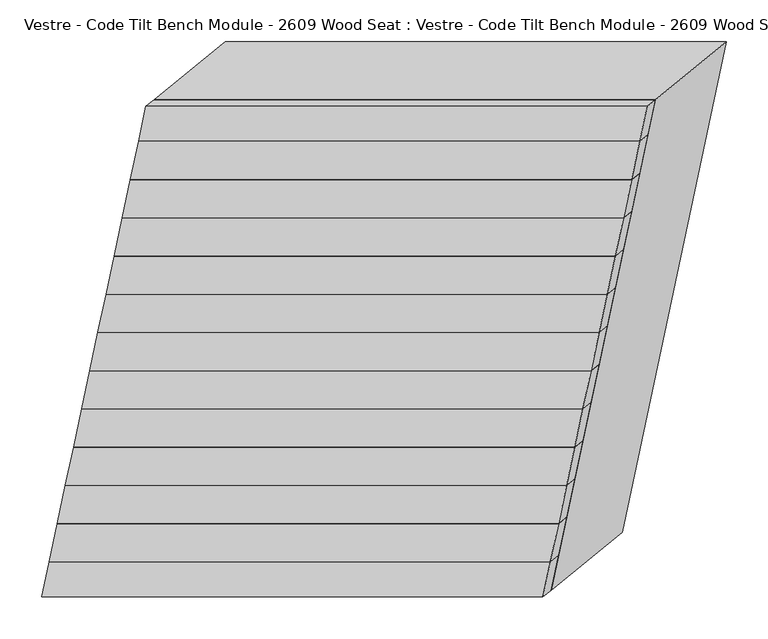
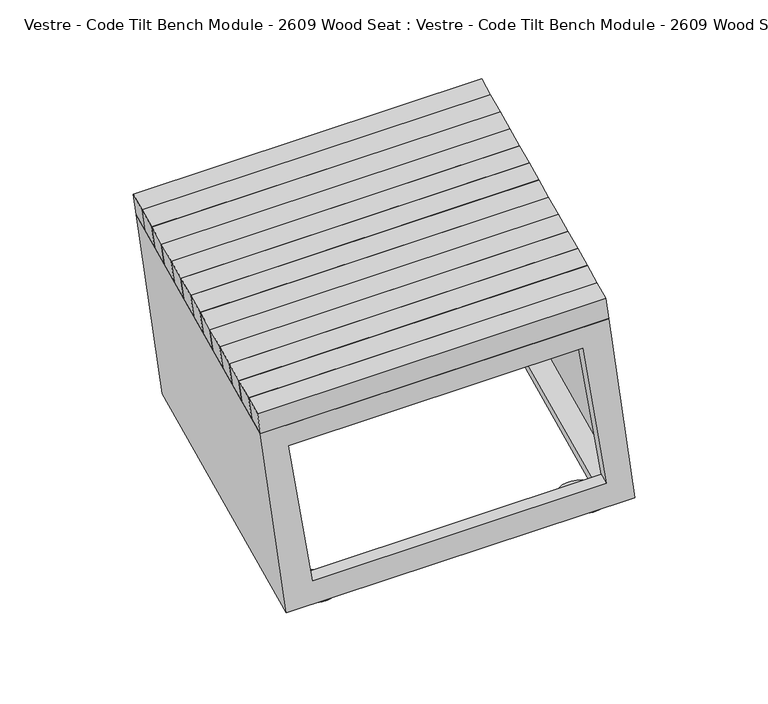
"""IFC4 building model written with IfcOpenShell, lengths in millimetres: furniture geometry, Vestre - Code Tilt Bench Module - 2609 Wood Seat : Vestre - Code Tilt Bench Module - 2609 Wood Seat."""

import ifcopenshell
import ifcopenshell.guid

model = None  # the IFC model being written
_history = None  # IfcOwnerHistory: only IFC2X3 demands one
_inside = {}  # id of a spatial element -> (the spatial element, [elements in it])
_under = {}  # id of a project, library or spatial element -> (it, [spatial elements below it])
_declared = {}  # id of a project -> (the project, [libraries it declares])
_typed = {}  # id of a type object -> (the type object, [elements of that type])
_made_of = {}  # id of a material, layer set ... -> (it, [elements and type objects made of it])


def new_model(schema):
    """Start an empty IFC model of exactly this schema.

    Asked for "IFC4X3", IfcOpenShell would pick the latest addendum, in which some entities
    have other attributes; the version numbers below select the first issue.
    IFC2X3 requires an IfcOwnerHistory on every rooted entity: one is made here for all.
    """
    global model, _history
    if schema == "IFC4X3":
        model = ifcopenshell.file(schema_version=(4, 3, 0, 0))
    else:
        model = ifcopenshell.file(schema=schema)
    _inside.clear()
    _under.clear()
    _declared.clear()
    _typed.clear()
    _made_of.clear()
    _history = None
    if model.schema == "IFC2X3":
        org = make("IfcOrganization", Name="unknown")
        user = make(
            "IfcPersonAndOrganization",
            ThePerson=make("IfcPerson", FamilyName="unknown"),
            TheOrganization=org,
        )
        app = make(
            "IfcApplication",
            ApplicationDeveloper=org,
            Version="unknown",
            ApplicationFullName="unknown",
            ApplicationIdentifier="unknown",
        )
        _history = make(
            "IfcOwnerHistory",
            OwningUser=user,
            OwningApplication=app,
            ChangeAction="ADDED",
            CreationDate=0,
        )
    return model


def make(cls, **values):
    """One entity of the class cls with the attributes given. An attribute that is None is left unset."""
    return model.create_entity(
        cls, **{name: value for name, value in values.items() if value is not None}
    )


def rooted(cls, **values):
    """An entity with a GlobalId (a new one), such as an element, a storey or a relation."""
    return make(cls, GlobalId=ifcopenshell.guid.new(), OwnerHistory=_history, **values)


def si_unit(unit_type, name, prefix=None):
    """IfcSIUnit, for example si_unit("LENGTHUNIT", "METRE", prefix="MILLI")."""
    return make("IfcSIUnit", UnitType=unit_type, Prefix=prefix, Name=name)


def assignment(units):
    """IfcUnitAssignment: the units of a project."""
    return None if units is None else make("IfcUnitAssignment", Units=units)


def point(xyz):
    """IfcCartesianPoint."""
    return None if xyz is None else make("IfcCartesianPoint", Coordinates=xyz)


def direction(xyz):
    """IfcDirection."""
    return None if xyz is None else make("IfcDirection", DirectionRatios=xyz)


def frame(location, z_axis=None, x_axis=None):
    """IfcAxis2Placement3D, a coordinate frame: its origin and axes. An axis left out is left unset."""
    return make(
        "IfcAxis2Placement3D",
        Location=point(location),
        Axis=direction(z_axis),
        RefDirection=direction(x_axis),
    )


def frame_2d(location, x_axis=None):
    """IfcAxis2Placement2D, a coordinate frame in the plane: its origin and x axis."""
    return make(
        "IfcAxis2Placement2D", Location=point(location), RefDirection=direction(x_axis)
    )


def origin():
    """The frame at (0, 0, 0) with its axes left unset."""
    return frame((0.0, 0.0, 0.0))


def origin_with_axes():
    """The frame at (0, 0, 0) with the z axis (0, 0, 1) and the x axis (1, 0, 0) written out."""
    return frame((0.0, 0.0, 0.0), z_axis=(0.0, 0.0, 1.0), x_axis=(1.0, 0.0, 0.0))


def place(relative_to, where):
    """IfcLocalPlacement: puts the frame where relative to a parent placement (None: the world)."""
    return make(
        "IfcLocalPlacement", PlacementRelTo=relative_to, RelativePlacement=where
    )


def context(
    kind, dimensions, precision=None, world=None, true_north=None, identifier=None
):
    """IfcGeometricRepresentationContext, for example the 3D "Model" context."""
    return make(
        "IfcGeometricRepresentationContext",
        ContextIdentifier=identifier,
        ContextType=kind,
        CoordinateSpaceDimension=dimensions,
        Precision=precision,
        WorldCoordinateSystem=world,
        TrueNorth=true_north,
    )


def project(units=None, contexts=None):
    """IfcProject with its units and contexts."""
    return rooted(
        "IfcProject",
        Name="project",
        RepresentationContexts=contexts,
        UnitsInContext=assignment(units),
    )


def spatial(cls, under=None, at=None, **own):
    """A site, building, storey or space (cls), placed at a placement, below another one or the project."""
    s = rooted(cls, ObjectPlacement=at, **own)
    if under is not None:
        _under.setdefault(under.id(), (under, []))[1].append(s)
    return s


def circle_curve(where, radius):
    """IfcCircle in the frame where."""
    return make("IfcCircle", Position=where, Radius=radius)


def trimmed(basis, trim1, trim2, sense, master):
    """IfcTrimmedCurve: the piece of a basis curve between two trims."""
    return make(
        "IfcTrimmedCurve",
        BasisCurve=basis,
        Trim1=trim1,
        Trim2=trim2,
        SenseAgreement=sense,
        MasterRepresentation=master,
    )


def segment(curve, same_sense, transition):
    """IfcCompositeCurveSegment."""
    return make(
        "IfcCompositeCurveSegment",
        Transition=transition,
        SameSense=same_sense,
        ParentCurve=curve,
    )


def composite_curve(segments, self_intersect=None):
    """IfcCompositeCurve: segments joined end to end."""
    return make("IfcCompositeCurve", Segments=segments, SelfIntersect=self_intersect)


def outline(outer, holes=None, kind="AREA"):
    """IfcArbitraryClosedProfileDef: a profile drawn as a closed curve; with holes, ...WithVoids."""
    if holes is None:
        return make("IfcArbitraryClosedProfileDef", ProfileType=kind, OuterCurve=outer)
    return make(
        "IfcArbitraryProfileDefWithVoids",
        ProfileType=kind,
        OuterCurve=outer,
        InnerCurves=holes,
    )


def extrude(swept, where, along, depth):
    """IfcExtrudedAreaSolid: the profile swept, set in the frame where, extruded along a direction by depth."""
    return make(
        "IfcExtrudedAreaSolid",
        SweptArea=swept,
        Position=where,
        ExtrudedDirection=direction(along),
        Depth=depth,
    )


def faces_of(points, faces, orient=None, outer=None):
    """IfcFace entities. A face is a list of loops; a loop is a list of indices into points, from 0.

    orient and outer hold one flag for each loop. By default every Orientation is true, the
    first loop of a face is its IfcFaceOuterBound and the others are IfcFaceBound.
    """
    made = []
    for i, loops in enumerate(faces):
        bounds = []
        for j, loop in enumerate(loops):
            is_outer = j == 0 if outer is None else outer[i][j]
            bounds.append(
                make(
                    "IfcFaceOuterBound" if is_outer else "IfcFaceBound",
                    Bound=make("IfcPolyLoop", Polygon=[points[k] for k in loop]),
                    Orientation=True if orient is None else orient[i][j],
                )
            )
        made.append(make("IfcFace", Bounds=bounds))
    return made


def faceted_brep(points, faces, orient=None, outer=None, voids=None):
    """IfcFacetedBrep: a solid bounded by flat faces; with voids (closed shells), ...WithVoids."""
    shared = [point(p) for p in points]
    hull = make("IfcClosedShell", CfsFaces=faces_of(shared, faces, orient, outer))
    if voids is None:
        return make("IfcFacetedBrep", Outer=hull)
    return make(
        "IfcFacetedBrepWithVoids",
        Outer=hull,
        Voids=[
            make(cls, CfsFaces=faces_of(shared, fs, o, b)) for cls, fs, o, b in voids
        ],
    )


def shape(context_of_items, identifier, shape_type, items):
    """IfcShapeRepresentation: the items that make up one representation, for example the "Body"."""
    return make(
        "IfcShapeRepresentation",
        ContextOfItems=context_of_items,
        RepresentationIdentifier=identifier,
        RepresentationType=shape_type,
        Items=items,
    )


def source(mapping_origin, context_of_items, identifier, shape_type, items):
    """IfcRepresentationMap: a shape defined once, which mapped items show again and again."""
    return make(
        "IfcRepresentationMap",
        MappingOrigin=mapping_origin,
        MappedRepresentation=shape(context_of_items, identifier, shape_type, items),
    )


def transform(
    local_origin,
    x_axis=None,
    y_axis=None,
    z_axis=None,
    scale=None,
    scale2=None,
    scale3=None,
    uniform=True,
):
    """IfcCartesianTransformationOperator3D, or its non-uniform kind. x_axis, y_axis, z_axis: its Axis1, 2, 3."""
    if uniform:
        return make(
            "IfcCartesianTransformationOperator3D",
            Axis1=direction(x_axis),
            Axis2=direction(y_axis),
            LocalOrigin=point(local_origin),
            Scale=scale,
            Axis3=direction(z_axis),
        )
    return make(
        "IfcCartesianTransformationOperator3DnonUniform",
        Axis1=direction(x_axis),
        Axis2=direction(y_axis),
        LocalOrigin=point(local_origin),
        Scale=scale,
        Axis3=direction(z_axis),
        Scale2=scale2,
        Scale3=scale3,
    )


def mapped(mapping_source, mapping_target):
    """IfcMappedItem: shows the shape of a source again, moved by a transform."""
    return make(
        "IfcMappedItem", MappingSource=mapping_source, MappingTarget=mapping_target
    )


def made_of(thing, what):
    """Note that an element or type object is made of a material, layer set ...; save() writes the relation."""
    if what is not None:
        _made_of.setdefault(what.id(), (what, []))[1].append(thing)
    return thing


def element(
    cls,
    number,
    at=None,
    inside=None,
    cuts=None,
    type_object=None,
    material=None,
    context=None,
    identifier="Body",
    shape_type=None,
    held_by="IfcProductDefinitionShape",
    body=None,
    shapes=None,
    **own,
):
    """One element of the class cls, such as IfcWall. Its Tag is "e" and its number.

    at: its placement. inside: the storey or other place that contains it. cuts: it is an
    opening in that element (IfcRelVoidsElement). A single representation is given by context,
    identifier, shape_type and body (its items); several are given by shapes. held_by: the class
    of the entity that holds the representations. save() writes the other relations.
    """
    e = rooted(cls, Tag="e%d" % number, ObjectPlacement=at, **own)
    if body is not None:
        shapes = [shape(context, identifier, shape_type, body)]
    if shapes is not None:
        e.Representation = make(held_by, Representations=shapes)
    if inside is not None:
        _inside.setdefault(inside.id(), (inside, []))[1].append(e)
    if cuts is not None:
        rooted(
            "IfcRelVoidsElement", RelatingBuildingElement=cuts, RelatedOpeningElement=e
        )
    if type_object is not None:
        _typed.setdefault(type_object.id(), (type_object, []))[1].append(e)
    return made_of(e, material)


def aggregate(whole, parts):
    """IfcRelAggregates: a whole, such as a stair, and the parts it consists of."""
    return rooted("IfcRelAggregates", RelatingObject=whole, RelatedObjects=parts)


def save(model, path):
    """Write the relations noted so far, then the file.

    IfcRelAggregates (storeys below a building ...), IfcRelContainedInSpatialStructure (elements
    in a storey), IfcRelDefinesByType, IfcRelAssociatesMaterial and IfcRelDeclares: one each for
    every whole, place, type object, material and project.
    """
    for whole, parts in _under.values():
        aggregate(whole, parts)
    for where, things in _inside.values():
        rooted(
            "IfcRelContainedInSpatialStructure",
            RelatedElements=things,
            RelatingStructure=where,
        )
    for kind, things in _typed.values():
        rooted("IfcRelDefinesByType", RelatedObjects=things, RelatingType=kind)
    for what, things in _made_of.values():
        rooted("IfcRelAssociatesMaterial", RelatedObjects=things, RelatingMaterial=what)
    for by, libraries in _declared.values():
        rooted("IfcRelDeclares", RelatingContext=by, RelatedDefinitions=libraries)
    model.write(path)


def vestre_code_tilt_bench_module_2609_wood_seat_vestre_code_b5ac4176(model_context):
    return source(origin(), model_context, "Body", "SolidModel", [
        faceted_brep([(-341.1105248, 174.1919917, 465.0), (-350.8347915, 128.4429141, 465.0), (249.1652085, 128.4429141, 465.0), (258.8894752, 174.1919917, 465.0), (-331.4646537, 182.0875693, 419.8134138), (268.5353463, 182.0875693, 419.8134138), (258.8110797, 136.3384916, 419.8134138), (-341.1889203, 136.3384916, 419.8134138)], [[[0, 1, 2, 3]], [[4, 5, 6, 7]], [[5, 4, 0, 3]], [[6, 5, 3, 2]], [[7, 6, 2, 1]], [[4, 7, 1, 0]]]),
        faceted_brep([(-350.8347915, 128.4429141, 465.0), (-360.5590581, 82.6938364, 465.0), (239.4409419, 82.6938364, 465.0), (249.1652085, 128.4429141, 465.0), (-341.1889203, 136.3384916, 419.8134138), (258.8110797, 136.3384916, 419.8134138), (249.086813, 90.5894139, 419.8134138), (-350.913187, 90.5894139, 419.8134138)], [[[0, 1, 2, 3]], [[4, 5, 6, 7]], [[5, 4, 0, 3]], [[6, 5, 3, 2]], [[7, 6, 2, 1]], [[4, 7, 1, 0]]]),
        faceted_brep([(-360.5590581, 82.6938364, 465.0), (-370.2833247, 36.9447587, 465.0), (229.7166753, 36.9447587, 465.0), (239.4409419, 82.6938364, 465.0), (-350.913187, 90.5894139, 419.8134138), (249.086813, 90.5894139, 419.8134138), (239.3625464, 44.8403363, 419.8134138), (-360.6374536, 44.8403363, 419.8134138)], [[[0, 1, 2, 3]], [[4, 5, 6, 7]], [[5, 4, 0, 3]], [[6, 5, 3, 2]], [[7, 6, 2, 1]], [[4, 7, 1, 0]]]),
        faceted_brep([(-370.2833247, 36.9447587, 465.0), (-380.0075914, -8.8043189, 465.0), (219.9924086, -8.8043189, 465.0), (229.7166753, 36.9447587, 465.0), (-360.6374536, 44.8403363, 419.8134138), (239.3625464, 44.8403363, 419.8134138), (229.6382797, -0.9087414, 419.8134138), (-370.3617203, -0.9087414, 419.8134138)], [[[0, 1, 2, 3]], [[4, 5, 6, 7]], [[5, 4, 0, 3]], [[6, 5, 3, 2]], [[7, 6, 2, 1]], [[4, 7, 1, 0]]]),
        faceted_brep([(-380.0075914, -8.8043189, 465.0), (-389.731858, -54.5533966, 465.0), (210.268142, -54.5533966, 465.0), (219.9924086, -8.8043189, 465.0), (-370.3617203, -0.9087414, 419.8134138), (229.6382797, -0.9087414, 419.8134138), (219.9140131, -46.657819, 419.8134138), (-380.0859869, -46.657819, 419.8134138)], [[[0, 1, 2, 3]], [[4, 5, 6, 7]], [[5, 4, 0, 3]], [[6, 5, 3, 2]], [[7, 6, 2, 1]], [[4, 7, 1, 0]]]),
        faceted_brep([(-389.731858, -54.5533966, 465.0), (-399.4561247, -100.3024742, 465.0), (200.5438753, -100.3024742, 465.0), (210.268142, -54.5533966, 465.0), (-380.0859869, -46.657819, 419.8134138), (219.9140131, -46.657819, 419.8134138), (210.1897464, -92.4068967, 419.8134138), (-389.8102536, -92.4068967, 419.8134138)], [[[0, 1, 2, 3]], [[4, 5, 6, 7]], [[5, 4, 0, 3]], [[6, 5, 3, 2]], [[7, 6, 2, 1]], [[4, 7, 1, 0]]]),
        faceted_brep([(-399.4561247, -100.3024742, 465.0), (-409.1803913, -146.0515519, 465.0), (190.8196087, -146.0515519, 465.0), (200.5438753, -100.3024742, 465.0), (-389.8102536, -92.4068967, 419.8134138), (210.1897464, -92.4068967, 419.8134138), (200.4654798, -138.1559744, 419.8134138), (-399.5345202, -138.1559744, 419.8134138)], [[[0, 1, 2, 3]], [[4, 5, 6, 7]], [[5, 4, 0, 3]], [[6, 5, 3, 2]], [[7, 6, 2, 1]], [[4, 7, 1, 0]]]),
        faceted_brep([(-409.1803913, -146.0515519, 465.0), (-418.904658, -191.8006296, 465.0), (181.095342, -191.8006296, 465.0), (190.8196087, -146.0515519, 465.0), (-399.5345202, -138.1559744, 419.8134138), (200.4654798, -138.1559744, 419.8134138), (190.7412131, -183.905052, 419.8134138), (-409.2587869, -183.905052, 419.8134138)], [[[0, 1, 2, 3]], [[4, 5, 6, 7]], [[5, 4, 0, 3]], [[6, 5, 3, 2]], [[7, 6, 2, 1]], [[4, 7, 1, 0]]]),
        faceted_brep([(-418.904658, -191.8006296, 465.0), (-428.6289246, -237.5497072, 465.0), (171.3710754, -237.5497072, 465.0), (181.095342, -191.8006296, 465.0), (-409.2587869, -183.905052, 419.8134138), (190.7412131, -183.905052, 419.8134138), (181.0169465, -229.6541297, 419.8134138), (-418.9830535, -229.6541297, 419.8134138)], [[[0, 1, 2, 3]], [[4, 5, 6, 7]], [[5, 4, 0, 3]], [[6, 5, 3, 2]], [[7, 6, 2, 1]], [[4, 7, 1, 0]]]),
        faceted_brep([(-428.6289246, -237.5497072, 465.0), (-438.3531913, -283.2987849, 465.0), (161.6468087, -283.2987849, 465.0), (171.3710754, -237.5497072, 465.0), (-418.9830535, -229.6541297, 419.8134138), (181.0169465, -229.6541297, 419.8134138), (171.2926799, -275.4032074, 419.8134138), (-428.7073201, -275.4032074, 419.8134138)], [[[0, 1, 2, 3]], [[4, 5, 6, 7]], [[5, 4, 0, 3]], [[6, 5, 3, 2]], [[7, 6, 2, 1]], [[4, 7, 1, 0]]]),
        faceted_brep([(-438.3531913, -283.2987849, 465.0), (-448.0774579, -329.0478626, 465.0), (151.9225421, -329.0478626, 465.0), (161.6468087, -283.2987849, 465.0), (-428.7073201, -275.4032074, 419.8134138), (171.2926799, -275.4032074, 419.8134138), (161.5684132, -321.152285, 419.8134138), (-438.4315868, -321.152285, 419.8134138)], [[[0, 1, 2, 3]], [[4, 5, 6, 7]], [[5, 4, 0, 3]], [[6, 5, 3, 2]], [[7, 6, 2, 1]], [[4, 7, 1, 0]]]),
        faceted_brep([(-332.2201025, 216.0181403, 465.0), (-341.1105248, 174.1919917, 465.0), (258.8894752, 174.1919917, 465.0), (267.7798975, 216.0181403, 465.0), (-322.5749946, 223.9101268, 419.8134138), (277.4250054, 223.9101268, 419.8134138), (268.5353463, 182.0875693, 419.8134138), (-331.4646537, 182.0875693, 419.8134138)], [[[0, 1, 2, 3]], [[4, 5, 6, 7]], [[5, 4, 0, 3]], [[6, 5, 3, 2]], [[7, 6, 2, 1]], [[4, 7, 1, 0]]]),
        extrude(outline(composite_curve([segment(trimmed(circle_curve(frame_2d((-282.0328456, -228.5027868)), 5.0), [point((-287.0328456, -228.5027868))], [point((-277.0328456, -228.5027868))], False, "CARTESIAN"), True, "CONTINUOUS"), segment(trimmed(circle_curve(frame_2d((-282.0328456, -228.5027868)), 5.0), [point((-277.0328456, -228.5027868))], [point((-287.0328456, -228.5027868))], False, "CARTESIAN"), True, "CONTINUOUS")], self_intersect=False)), frame((0.0, 0.0, 5.0), z_axis=(0.0, 0.0, 1.0), x_axis=(1.0, 0.0, 0.0)), (0.0, 0.0, 1.0), 16.8677277),
        extrude(outline(composite_curve([segment(trimmed(circle_curve(frame_2d((184.9661106, -228.5027868)), 5.0), [point((179.9661106, -228.5027868))], [point((189.9661106, -228.5027868))], False, "CARTESIAN"), True, "CONTINUOUS"), segment(trimmed(circle_curve(frame_2d((184.9661106, -228.5027868)), 5.0), [point((189.9661106, -228.5027868))], [point((179.9661106, -228.5027868))], False, "CARTESIAN"), True, "CONTINUOUS")], self_intersect=False)), frame((0.0, 0.0, 5.0), z_axis=(0.0, 0.0, 1.0), x_axis=(1.0, 0.0, 0.0)), (0.0, 0.0, 1.0), 16.8677277),
        extrude(outline(composite_curve([segment(trimmed(circle_curve(frame_2d((282.1707135, 228.4385142)), 5.0), [point((277.1707135, 228.4385142))], [point((287.1707135, 228.4385142))], False, "CARTESIAN"), True, "CONTINUOUS"), segment(trimmed(circle_curve(frame_2d((282.1707135, 228.4385142)), 5.0), [point((287.1707135, 228.4385142))], [point((277.1707135, 228.4385142))], False, "CARTESIAN"), True, "CONTINUOUS")], self_intersect=False)), frame((0.0, 0.0, 5.0), z_axis=(0.0, 0.0, 1.0), x_axis=(1.0, 0.0, 0.0)), (0.0, 0.0, 1.0), 16.8677277),
        extrude(outline(composite_curve([segment(trimmed(circle_curve(frame_2d((-184.8930564, 228.4385142)), 5.0), [point((-189.8930564, 228.4385142))], [point((-179.8930564, 228.4385142))], False, "CARTESIAN"), True, "CONTINUOUS"), segment(trimmed(circle_curve(frame_2d((-184.8930564, 228.4385142)), 5.0), [point((-179.8930564, 228.4385142))], [point((-189.8930564, 228.4385142))], False, "CARTESIAN"), True, "CONTINUOUS")], self_intersect=False)), frame((0.0, 0.0, 5.0), z_axis=(0.0, 0.0, 1.0), x_axis=(1.0, 0.0, 0.0)), (0.0, 0.0, 1.0), 16.8677277),
        faceted_brep([(152.6779909, -362.9784336, 419.8134138), (277.4250054, 223.9101268, 419.8134138), (-322.5749946, 223.9101268, 419.8134138), (-447.3220091, -362.9784336, 419.8134138), (111.5950883, -312.2208839, 419.8134138), (-384.6614061, -312.2208839, 419.8134138), (-279.0561813, 184.6126361, 419.8134138), (217.200313, 184.6126361, 419.8134138), (237.6264928, -293.4442802, 21.8677277), (-362.3735072, -293.4442802, 21.8677277), (-237.6264928, 293.4442802, 21.8677277), (362.3735072, 293.4442802, 21.8677277), (-299.7129042, -242.6867305, 21.8677277), (196.5435902, -242.6867305, 21.8677277), (300.1061699, 244.5369002, 21.8677277), (-196.1503245, 244.5369002, 21.8677277), (-393.776434, -355.103719, 374.7462265), (112.2821604, -355.103719, 374.7462265), (183.8977101, -302.1809189, 71.8677277), (-322.1608844, -302.1809189, 71.8677277), (115.1443609, -309.3156453, 403.1866612), (-381.1121334, -309.3156453, 403.1866612), (-303.7973866, -246.0300623, 41.0016985), (192.4591078, -246.0300623, 41.0016985), (-275.5922534, 187.1163595, 403.1866612), (-200.1365927, 241.6556298, 41.0016985), (220.664241, 187.1163595, 403.1866612), (296.1199017, 241.6556298, 41.0016985), (127.6313712, -332.9707916, 403.1866612), (-414.2091441, -332.9707916, 403.1866612), (-298.365818, 212.0292084, 403.1866612), (243.4746973, 212.0292084, 403.1866612), (225.4868228, -272.8781405, 41.0016985), (340.8394593, 269.8133464, 41.0016985), (-228.3217228, 269.8133464, 41.0016985), (-343.6743593, -272.8781405, 41.0016985), (117.9896611, -328.2520393, 374.7462265), (-388.0689333, -328.2520393, 374.7462265), (-317.0209312, -277.9993402, 71.8677277), (189.0376633, -277.9993402, 71.8677277)], [[[0, 1, 2, 3], [4, 5, 6, 7]], [[8, 9, 10, 11], [12, 13, 14, 15]], [[0, 3, 9, 8], [16, 17, 18, 19]], [[3, 2, 10, 9]], [[2, 1, 11, 10]], [[1, 0, 8, 11]], [[5, 4, 20, 21]], [[13, 12, 22, 23]], [[6, 5, 21, 24]], [[12, 15, 25, 22]], [[7, 6, 24, 26]], [[15, 14, 27, 25]], [[4, 7, 26, 20]], [[14, 13, 23, 27]], [[28, 29, 30, 31], [21, 20, 26, 24]], [[32, 33, 34, 35], [23, 22, 25, 27]], [[29, 28, 32, 35], [36, 37, 38, 39]], [[30, 29, 35, 34]], [[31, 30, 34, 33]], [[28, 31, 33, 32]], [[16, 37, 36, 17]], [[38, 19, 18, 39]], [[37, 16, 19, 38]], [[17, 36, 39, 18]]]),
        faceted_brep([(-448.0774579, -329.0478626, 465.0), (-456.9678803, -370.8740111, 465.0), (143.0321197, -370.8740111, 465.0), (151.9225421, -329.0478626, 465.0), (-438.4315868, -321.152285, 419.8134138), (161.5684132, -321.152285, 419.8134138), (152.6779909, -362.9784336, 419.8134138), (-447.3220091, -362.9784336, 419.8134138)], [[[0, 1, 2, 3]], [[4, 5, 6, 7]], [[5, 4, 0, 3]], [[6, 5, 3, 2]], [[7, 6, 2, 1]], [[4, 7, 1, 0]]]),
        extrude(outline(composite_curve([segment(trimmed(circle_curve(frame_2d((-281.9772057, -228.2596966)), 40.0), [point((-321.9772057, -228.2596966))], [point((-241.9772057, -228.2596966))], False, "CARTESIAN"), True, "CONTINUOUS"), segment(trimmed(circle_curve(frame_2d((-281.9772057, -228.2596966)), 40.0), [point((-241.9772057, -228.2596966))], [point((-321.9772057, -228.2596966))], False, "CARTESIAN"), True, "CONTINUOUS")], self_intersect=False)), origin_with_axes(), (0.0, 0.0, 1.0), 5.0),
        extrude(outline(composite_curve([segment(trimmed(circle_curve(frame_2d((185.0217505, -228.2596966)), 40.0), [point((145.0217505, -228.2596966))], [point((225.0217505, -228.2596966))], False, "CARTESIAN"), True, "CONTINUOUS"), segment(trimmed(circle_curve(frame_2d((185.0217505, -228.2596966)), 40.0), [point((225.0217505, -228.2596966))], [point((145.0217505, -228.2596966))], False, "CARTESIAN"), True, "CONTINUOUS")], self_intersect=False)), origin_with_axes(), (0.0, 0.0, 1.0), 5.0),
        extrude(outline(composite_curve([segment(trimmed(circle_curve(frame_2d((282.2263535, 228.6816045)), 40.0), [point((242.2263535, 228.6816045))], [point((322.2263535, 228.6816045))], False, "CARTESIAN"), True, "CONTINUOUS"), segment(trimmed(circle_curve(frame_2d((282.2263535, 228.6816045)), 40.0), [point((322.2263535, 228.6816045))], [point((242.2263535, 228.6816045))], False, "CARTESIAN"), True, "CONTINUOUS")], self_intersect=False)), origin_with_axes(), (0.0, 0.0, 1.0), 5.0),
        extrude(outline(composite_curve([segment(trimmed(circle_curve(frame_2d((-184.8374164, 228.6816045)), 40.0), [point((-224.8374164, 228.6816045))], [point((-144.8374164, 228.6816045))], False, "CARTESIAN"), True, "CONTINUOUS"), segment(trimmed(circle_curve(frame_2d((-184.8374164, 228.6816045)), 40.0), [point((-144.8374164, 228.6816045))], [point((-224.8374164, 228.6816045))], False, "CARTESIAN"), True, "CONTINUOUS")], self_intersect=False)), origin_with_axes(), (0.0, 0.0, 1.0), 5.0),
    ])


if __name__ == "__main__":
    model = new_model("IFC4")
    model_context = context("Model", 3, world=origin())
    ifc_project = project(units=[si_unit("LENGTHUNIT", "METRE", prefix="MILLI")], contexts=[model_context])
    site = spatial("IfcSite", under=ifc_project)
    building = spatial("IfcBuilding", under=site)
    placement = place(None, origin())
    vestre_code_tilt_bench_module_2609_wood_seat_vestre_code_shape = vestre_code_tilt_bench_module_2609_wood_seat_vestre_code_b5ac4176(model_context)
    element("IfcFurniture", 1, ObjectType="Vestre - Code Tilt Bench Module - 2609 Wood Seat : Vestre - Code Tilt Bench Module - 2609 Wood Seat", at=placement, inside=building, context=model_context, shape_type="MappedRepresentation", body=[
        mapped(vestre_code_tilt_bench_module_2609_wood_seat_vestre_code_shape, transform((0.0, 0.0, 0.0), x_axis=(1.0, 0.0, 0.0), y_axis=(0.0, 1.0, 0.0), z_axis=(0.0, 0.0, 1.0))),
    ])
    save(model, "model.ifc")
